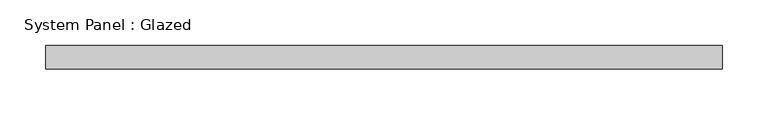
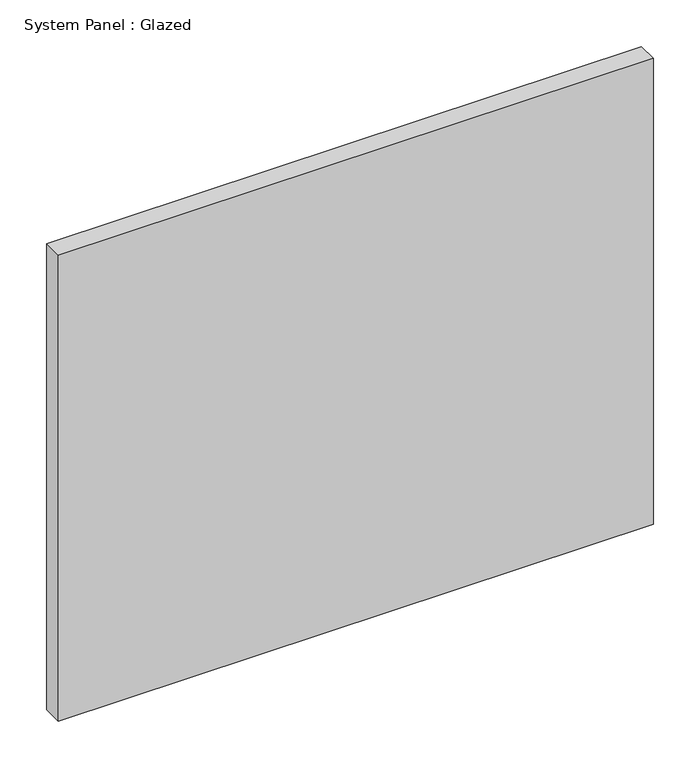
"""IFC4 building model written with IfcOpenShell, lengths in millimetres: plate geometry, System Panel : Glazed."""

from ifc_helpers import new_model, si_unit, origin, origin_with_axes, place, context, project, spatial, polyline, outline, extrude, source, transform, mapped, element, save


def system_panel_glazed_a43166de(model_context):
    return source(origin(), model_context, "Body", "SweptSolid", [
        extrude(outline(polyline([(368.3, 19.05), (-368.3, 19.05), (-368.3, 44.45), (368.3, 44.45), (368.3, 19.05)])), origin_with_axes(), (0.0, 0.0, 1.0), 609.6),
    ])


if __name__ == "__main__":
    model = new_model("IFC4")
    model_context = context("Model", 3, world=origin())
    ifc_project = project(units=[si_unit("LENGTHUNIT", "METRE", prefix="MILLI")], contexts=[model_context])
    site = spatial("IfcSite", under=ifc_project)
    building = spatial("IfcBuilding", under=site)
    placement = place(None, origin())
    system_panel_glazed_shape = system_panel_glazed_a43166de(model_context)
    element("IfcPlate", 1, ObjectType="System Panel : Glazed", at=placement, inside=building, context=model_context, shape_type="MappedRepresentation", body=[
        mapped(system_panel_glazed_shape, transform((0.0, 0.0, 0.0), x_axis=(1.0, 0.0, 0.0), y_axis=(0.0, 1.0, 0.0), z_axis=(0.0, 0.0, 1.0))),
    ])
    save(model, "model.ifc")
